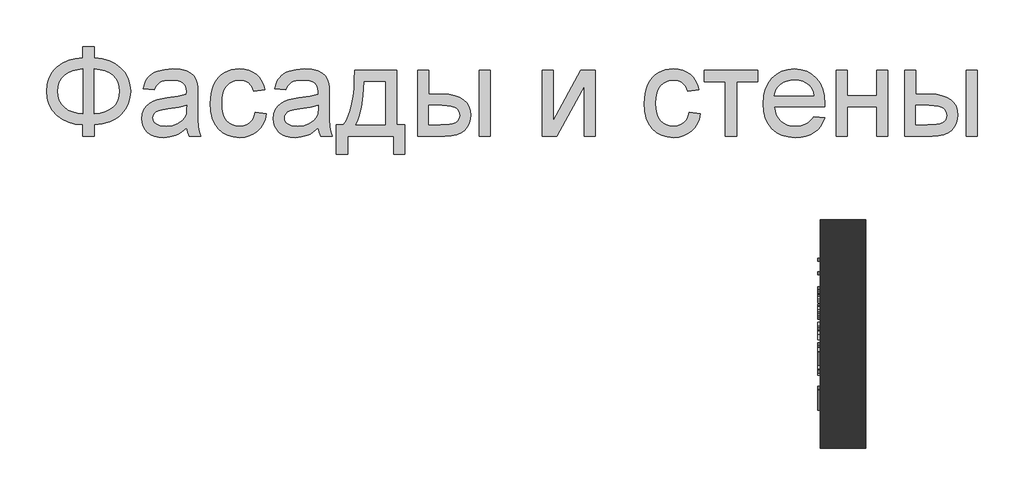
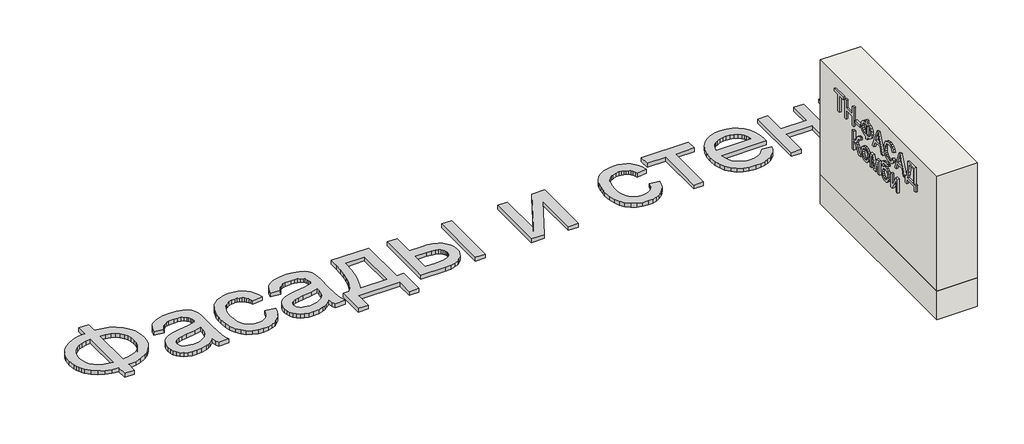
# One storey: 2 proxies, 2 walls.
"""IFC4 building model written with IfcOpenShell, lengths in millimetres."""

import ifcopenshell
import ifcopenshell.guid

model = None  # the IFC model being written
_history = None  # IfcOwnerHistory: only IFC2X3 demands one
_inside = {}  # id of a spatial element -> (the spatial element, [elements in it])
_under = {}  # id of a project, library or spatial element -> (it, [spatial elements below it])
_declared = {}  # id of a project -> (the project, [libraries it declares])
_typed = {}  # id of a type object -> (the type object, [elements of that type])
_made_of = {}  # id of a material, layer set ... -> (it, [elements and type objects made of it])


def new_model(schema):
    """Start an empty IFC model of exactly this schema.

    Asked for "IFC4X3", IfcOpenShell would pick the latest addendum, in which some entities
    have other attributes; the version numbers below select the first issue.
    IFC2X3 requires an IfcOwnerHistory on every rooted entity: one is made here for all.
    """
    global model, _history
    if schema == "IFC4X3":
        model = ifcopenshell.file(schema_version=(4, 3, 0, 0))
    else:
        model = ifcopenshell.file(schema=schema)
    _inside.clear()
    _under.clear()
    _declared.clear()
    _typed.clear()
    _made_of.clear()
    _history = None
    if model.schema == "IFC2X3":
        org = make("IfcOrganization", Name="unknown")
        user = make(
            "IfcPersonAndOrganization",
            ThePerson=make("IfcPerson", FamilyName="unknown"),
            TheOrganization=org,
        )
        app = make(
            "IfcApplication",
            ApplicationDeveloper=org,
            Version="unknown",
            ApplicationFullName="unknown",
            ApplicationIdentifier="unknown",
        )
        _history = make(
            "IfcOwnerHistory",
            OwningUser=user,
            OwningApplication=app,
            ChangeAction="ADDED",
            CreationDate=0,
        )
    return model


def make(cls, **values):
    """One entity of the class cls with the attributes given. An attribute that is None is left unset."""
    return model.create_entity(
        cls, **{name: value for name, value in values.items() if value is not None}
    )


def rooted(cls, **values):
    """An entity with a GlobalId (a new one), such as an element, a storey or a relation."""
    return make(cls, GlobalId=ifcopenshell.guid.new(), OwnerHistory=_history, **values)


def si_unit(unit_type, name, prefix=None):
    """IfcSIUnit, for example si_unit("LENGTHUNIT", "METRE", prefix="MILLI")."""
    return make("IfcSIUnit", UnitType=unit_type, Prefix=prefix, Name=name)


def assignment(units):
    """IfcUnitAssignment: the units of a project."""
    return None if units is None else make("IfcUnitAssignment", Units=units)


def point(xyz):
    """IfcCartesianPoint."""
    return None if xyz is None else make("IfcCartesianPoint", Coordinates=xyz)


def direction(xyz):
    """IfcDirection."""
    return None if xyz is None else make("IfcDirection", DirectionRatios=xyz)


def frame(location, z_axis=None, x_axis=None):
    """IfcAxis2Placement3D, a coordinate frame: its origin and axes. An axis left out is left unset."""
    return make(
        "IfcAxis2Placement3D",
        Location=point(location),
        Axis=direction(z_axis),
        RefDirection=direction(x_axis),
    )


def origin():
    """The frame at (0, 0, 0) with its axes left unset."""
    return frame((0.0, 0.0, 0.0))


def origin_with_axes():
    """The frame at (0, 0, 0) with the z axis (0, 0, 1) and the x axis (1, 0, 0) written out."""
    return frame((0.0, 0.0, 0.0), z_axis=(0.0, 0.0, 1.0), x_axis=(1.0, 0.0, 0.0))


def place(relative_to, where):
    """IfcLocalPlacement: puts the frame where relative to a parent placement (None: the world)."""
    return make(
        "IfcLocalPlacement", PlacementRelTo=relative_to, RelativePlacement=where
    )


def context(
    kind, dimensions, precision=None, world=None, true_north=None, identifier=None
):
    """IfcGeometricRepresentationContext, for example the 3D "Model" context."""
    return make(
        "IfcGeometricRepresentationContext",
        ContextIdentifier=identifier,
        ContextType=kind,
        CoordinateSpaceDimension=dimensions,
        Precision=precision,
        WorldCoordinateSystem=world,
        TrueNorth=true_north,
    )


def project(units=None, contexts=None):
    """IfcProject with its units and contexts."""
    return rooted(
        "IfcProject",
        Name="project",
        RepresentationContexts=contexts,
        UnitsInContext=assignment(units),
    )


def spatial(cls, under=None, at=None, **own):
    """A site, building, storey or space (cls), placed at a placement, below another one or the project."""
    s = rooted(cls, ObjectPlacement=at, **own)
    if under is not None:
        _under.setdefault(under.id(), (under, []))[1].append(s)
    return s


def polyline(points):
    """IfcPolyline through the points."""
    return make("IfcPolyline", Points=[point(p) for p in points])


def outline(outer, holes=None, kind="AREA"):
    """IfcArbitraryClosedProfileDef: a profile drawn as a closed curve; with holes, ...WithVoids."""
    if holes is None:
        return make("IfcArbitraryClosedProfileDef", ProfileType=kind, OuterCurve=outer)
    return make(
        "IfcArbitraryProfileDefWithVoids",
        ProfileType=kind,
        OuterCurve=outer,
        InnerCurves=holes,
    )


def extrude(swept, where, along, depth):
    """IfcExtrudedAreaSolid: the profile swept, set in the frame where, extruded along a direction by depth."""
    return make(
        "IfcExtrudedAreaSolid",
        SweptArea=swept,
        Position=where,
        ExtrudedDirection=direction(along),
        Depth=depth,
    )


def shape(context_of_items, identifier, shape_type, items):
    """IfcShapeRepresentation: the items that make up one representation, for example the "Body"."""
    return make(
        "IfcShapeRepresentation",
        ContextOfItems=context_of_items,
        RepresentationIdentifier=identifier,
        RepresentationType=shape_type,
        Items=items,
    )


def made_of(thing, what):
    """Note that an element or type object is made of a material, layer set ...; save() writes the relation."""
    if what is not None:
        _made_of.setdefault(what.id(), (what, []))[1].append(thing)
    return thing


def element(
    cls,
    number,
    at=None,
    inside=None,
    cuts=None,
    type_object=None,
    material=None,
    context=None,
    identifier="Body",
    shape_type=None,
    held_by="IfcProductDefinitionShape",
    body=None,
    shapes=None,
    **own,
):
    """One element of the class cls, such as IfcWall. Its Tag is "e" and its number.

    at: its placement. inside: the storey or other place that contains it. cuts: it is an
    opening in that element (IfcRelVoidsElement). A single representation is given by context,
    identifier, shape_type and body (its items); several are given by shapes. held_by: the class
    of the entity that holds the representations. save() writes the other relations.
    """
    e = rooted(cls, Tag="e%d" % number, ObjectPlacement=at, **own)
    if body is not None:
        shapes = [shape(context, identifier, shape_type, body)]
    if shapes is not None:
        e.Representation = make(held_by, Representations=shapes)
    if inside is not None:
        _inside.setdefault(inside.id(), (inside, []))[1].append(e)
    if cuts is not None:
        rooted(
            "IfcRelVoidsElement", RelatingBuildingElement=cuts, RelatedOpeningElement=e
        )
    if type_object is not None:
        _typed.setdefault(type_object.id(), (type_object, []))[1].append(e)
    return made_of(e, material)


def aggregate(whole, parts):
    """IfcRelAggregates: a whole, such as a stair, and the parts it consists of."""
    return rooted("IfcRelAggregates", RelatingObject=whole, RelatedObjects=parts)


def save(model, path):
    """Write the relations noted so far, then the file.

    IfcRelAggregates (storeys below a building ...), IfcRelContainedInSpatialStructure (elements
    in a storey), IfcRelDefinesByType, IfcRelAssociatesMaterial and IfcRelDeclares: one each for
    every whole, place, type object, material and project.
    """
    for whole, parts in _under.values():
        aggregate(whole, parts)
    for where, things in _inside.values():
        rooted(
            "IfcRelContainedInSpatialStructure",
            RelatedElements=things,
            RelatingStructure=where,
        )
    for kind, things in _typed.values():
        rooted("IfcRelDefinesByType", RelatedObjects=things, RelatingType=kind)
    for what, things in _made_of.values():
        rooted("IfcRelAssociatesMaterial", RelatedObjects=things, RelatingMaterial=what)
    for by, libraries in _declared.values():
        rooted("IfcRelDeclares", RelatingContext=by, RelatedDefinitions=libraries)
    model.write(path)


model = new_model("IFC4")

# Units and contexts
model_context = context("Model", 3, world=origin())
ifc_project = project(units=[si_unit("LENGTHUNIT", "METRE", prefix="MILLI")], contexts=[model_context])

# Site, building, storey
site = spatial("IfcSite", under=ifc_project)
building = spatial("IfcBuilding", under=site)
storey = spatial("IfcBuildingStorey", under=building, Elevation=0.0)

# Proxies
placement = place(None, origin())
element("IfcBuildingElementProxy", 1, Name="Generic Models", at=placement, inside=storey, context=model_context, shape_type="SweptSolid", body=[
    extrude(outline(polyline([(-1939.8736325, -20885.7211043), (-1939.8736325, -20787.7817103), (-1841.9342386, -20787.7817103), (-1841.9342386, -20885.7211043), (-1772.0723186, -20894.3529698), (-1709.9695132, -20912.2144755), (-1655.6258224, -20939.3056213), (-1609.0412461, -20975.6264073), (-1571.6743546, -21019.0607113), (-1544.9837177, -21067.4924111), (-1528.9693356, -21120.9215067), (-1523.6312083, -21179.3479982), (-1528.8019587, -21236.6028514), (-1544.3142102, -21289.3863505), (-1570.1679625, -21337.6984954), (-1606.3632158, -21381.5392861), (-1628.1416397, -21401.1761824), (-1652.1109076, -21418.4817577), (-1706.6219753, -21446.0989452), (-1769.896419, -21464.3908486), (-1841.9342386, -21473.3574679), (-1841.9342386, -21571.2968619), (-1939.8736325, -21571.2968619), (-1939.8736325, -21473.3574679), (-2005.3060425, -21466.0586398), (-2065.0237272, -21449.518216), (-2119.0266865, -21423.7361966), (-2167.3149204, -21388.7125816), (-2207.0669327, -21345.8939854), (-2222.6837947, -21322.10405), (-2235.4612272, -21296.7270228), (-2245.3992303, -21269.7629041), (-2252.4978039, -21241.2116938), (-2258.1766628, -21179.3479982), (-2252.5157371, -21117.2033486), (-2245.4395801, -21088.5878775), (-2235.5329602, -21061.6103088), (-2222.7958774, -21036.2706426), (-2207.2283318, -21012.5688789), (-2188.8303234, -20990.5050176), (-2167.6018522, -20970.0790588), (-2119.4032845, -20935.3961753), (-2065.382392, -20909.775555), (-2005.5391746, -20893.217198), (-1939.8736325, -20885.7211043)]), holes=[polyline([(-1841.9342386, -20983.6604982), (-1841.9342386, -21375.418074), (-1793.3949393, -21370.2234125), (-1750.3073446, -21359.2303372), (-1712.6714545, -21342.4388481), (-1680.4872689, -21319.8489452), (-1654.7112272, -21291.9627591), (-1636.2997689, -21259.2824206), (-1625.2528939, -21221.8079296), (-1621.5706022, -21179.5392861), (-1625.1871387, -21137.922217), (-1636.036748, -21100.872146), (-1654.1194303, -21068.389073), (-1679.4351855, -21040.4729982), (-1711.2905951, -21017.6977852), (-1748.9922405, -21000.6372975), (-1792.5401216, -20989.2915352), (-1841.9342386, -20983.6604982)]), polyline([(-1939.8736325, -20983.6604982), (-1986.781007, -20988.5861611), (-2028.989873, -20999.3461043), (-2066.5002305, -21015.9403278), (-2099.3120795, -21038.3688316), (-2125.9668498, -21066.2012179), (-2145.0059715, -21099.0070891), (-2156.4294445, -21136.7864452), (-2160.2372689, -21179.5392861), (-2156.4772665, -21221.9035735), (-2145.1972594, -21259.4737085), (-2126.3972476, -21292.2496909), (-2100.077231, -21320.231521), (-2067.5044919, -21342.8692459), (-2029.9463124, -21359.612913), (-1987.4026926, -21370.4625224), (-1939.8736325, -21375.418074), (-1939.8736325, -20983.6604982)])]), origin_with_axes(), (0.0, 0.0, 1.0), 40.0),
    extrude(outline(polyline([(-1033.9342386, -21497.8423164), (-1080.7280359, -21537.964949), (-1104.6449985, -21552.8256261), (-1128.9086704, -21564.2192103), (-1179.5760473, -21578.7092672), (-1233.8300719, -21583.5392861), (-1277.4377305, -21580.6341014), (-1315.677373, -21571.9185475), (-1348.5489995, -21557.3926242), (-1376.0526098, -21537.0563316), (-1397.7697618, -21512.2008628), (-1413.2820132, -21484.1174111), (-1422.589364, -21452.8059764), (-1425.6918143, -21418.2665588), (-1421.0052613, -21377.6657066), (-1406.9456022, -21340.7949679), (-1385.2583389, -21309.2324679), (-1357.6889734, -21284.5563316), (-1325.2895889, -21265.9057634), (-1289.1122689, -21252.4199679), (-1204.3717386, -21237.6908013), (-1104.232534, -21222.1964831), (-1034.5081022, -21204.0241346), (-1033.9342386, -21182.2173164), (-1035.619963, -21158.4737085), (-1040.6771363, -21138.5080361), (-1049.1057585, -21122.3202994), (-1060.9058295, -21109.9104982), (-1081.3018996, -21097.5246081), (-1106.1454128, -21088.6775437), (-1135.4363693, -21083.369305), (-1169.1747689, -21081.5998922), (-1227.5175719, -21086.3103562), (-1250.0895416, -21092.1984362), (-1268.2618901, -21100.4417482), (-1283.1943001, -21111.6858888), (-1296.0464545, -21126.5764547), (-1306.8183532, -21145.1134457), (-1315.5099961, -21167.2968619), (-1413.4493901, -21155.0544376), (-1396.4486799, -21101.4938316), (-1384.810008, -21079.0175058), (-1371.0791249, -21059.4104982), (-1354.6642338, -21042.2782776), (-1334.9735378, -21027.2263126), (-1312.0070369, -21014.2546033), (-1285.764731, -21003.3631497), (-1225.5807821, -20988.5861611), (-1156.5497689, -20983.6604982), (-1090.3402518, -20988.0122975), (-1037.8556401, -21001.0676952), (-998.2829602, -21020.6986138), (-970.8092386, -21044.7769755), (-952.5890681, -21074.5461516), (-940.7770416, -21111.2495134), (-937.1903939, -21145.1074679), (-935.9948446, -21196.9464831), (-935.9948446, -21318.7968619), (-934.7514734, -21424.9377236), (-931.0213598, -21488.94743), (-923.6567764, -21531.0068524), (-911.5099961, -21571.2968619), (-1009.4493901, -21571.2968619), (-1025.1349961, -21537.2476194), (-1033.9342386, -21497.8423164)]), holes=[polyline([(-1033.9342386, -21301.9635285), (-1099.7372689, -21318.2708202), (-1191.9380264, -21331.9957255), (-1242.7488693, -21339.5037747), (-1276.2003371, -21347.8726194), (-1298.1267102, -21358.7282066), (-1314.3622689, -21373.6964831), (-1324.4048825, -21391.6297217), (-1327.7524204, -21411.3801952), (-1325.9292078, -21426.599537), (-1320.45957, -21440.5037747), (-1311.343507, -21453.0929083), (-1298.5810189, -21464.3669376), (-1282.2916604, -21473.6563552), (-1262.5949867, -21480.2916535), (-1212.9796931, -21485.5998922), (-1160.3755264, -21479.7417009), (-1136.3688977, -21472.4189618), (-1113.8925719, -21462.167127), (-1076.2088598, -21436.2715304), (-1050.0024204, -21405.450271), (-1038.3816818, -21373.6964831), (-1034.5081022, -21329.700271), (-1033.9342386, -21301.9635285)])]), origin_with_axes(), (0.0, 0.0, 1.0), 40.0),
    extrude(outline(polyline([(-434.0554507, -21363.1756497), (-336.1160568, -21375.418074), (-346.7684005, -21421.6320299), (-363.4224014, -21462.5257918), (-386.0780596, -21498.0993595), (-414.7353749, -21528.3527331), (-448.1868427, -21552.49685), (-485.2249583, -21569.7426478), (-525.8497215, -21580.0901265), (-570.0611325, -21583.5392861), (-624.9906425, -21578.7272004), (-674.2412935, -21564.2909433), (-717.8130856, -21540.2305148), (-755.7060189, -21506.5459149), (-786.3778347, -21463.8707847), (-808.2862746, -21412.8387653), (-821.4313385, -21353.4498567), (-825.8130264, -21285.7040588), (-823.9419919, -21240.6736966), (-818.3288882, -21198.5485191), (-808.9737154, -21159.3285262), (-795.8764734, -21123.0137179), (-778.9474961, -21090.3333794), (-758.0971174, -21062.0167956), (-733.3253371, -21038.0639665), (-704.6321552, -21018.4748922), (-673.3147428, -21003.2435948), (-640.6702708, -20992.3640967), (-606.698739, -20985.8363978), (-571.4001477, -20983.6604982), (-527.9479104, -20986.6493713), (-488.6442291, -20995.6159906), (-453.4891036, -21010.5603562), (-422.482534, -21031.4824679), (-396.150562, -21057.9041062), (-375.0192291, -21089.3470513), (-359.0885354, -21125.8113031), (-348.358481, -21167.2968619), (-446.2978749, -21179.5392861), (-453.9434123, -21156.6624513), (-464.0637367, -21136.8103562), (-476.6588479, -21119.9830006), (-491.7287461, -21106.1803846), (-508.8908555, -21095.4264192), (-527.7626003, -21087.7450153), (-548.3439805, -21083.1361729), (-570.6349961, -21081.5998922), (-603.9131093, -21084.6246317), (-633.927373, -21093.6988505), (-660.6777873, -21108.8225484), (-684.1643522, -21129.9957255), (-703.2871623, -21157.7085569), (-716.9463124, -21192.4512179), (-725.1418025, -21234.2237085), (-727.8736325, -21283.0260285), (-725.20158, -21332.5636114), (-717.1854223, -21374.8202994), (-703.8251595, -21409.7960924), (-685.1207916, -21437.4909906), (-662.1004909, -21458.5386351), (-635.7924299, -21473.5726668), (-606.1966084, -21482.5930858), (-573.3130264, -21485.5998922), (-546.8136775, -21483.7228799), (-522.5978276, -21478.0918429), (-500.6654767, -21468.7067814), (-481.0166249, -21455.5676952), (-464.2012248, -21438.5311185), (-450.7692291, -21417.4535853), (-440.7206377, -21392.3350958), (-434.0554507, -21363.1756497)])), origin_with_axes(), (0.0, 0.0, 1.0), 40.0),
    extrude(outline(polyline([(116.8536402, -21497.8423164), (70.0598429, -21537.964949), (46.1428803, -21552.8256261), (21.8792084, -21564.2192103), (-28.7881685, -21578.7092672), (-83.0421931, -21583.5392861), (-126.6498517, -21580.6341014), (-164.8894943, -21571.9185475), (-197.7611207, -21557.3926242), (-225.264731, -21537.0563316), (-246.981883, -21512.2008628), (-262.4941344, -21484.1174111), (-271.8014853, -21452.8059764), (-274.9039355, -21418.2665588), (-270.2173825, -21377.6657066), (-256.1577234, -21340.7949679), (-234.4704602, -21309.2324679), (-206.9010946, -21284.5563316), (-174.5017102, -21265.9057634), (-138.3243901, -21252.4199679), (-53.5838598, -21237.6908013), (46.5553448, -21222.1964831), (116.2797766, -21204.0241346), (116.8536402, -21182.2173164), (115.1679158, -21158.4737085), (110.1107425, -21138.5080361), (101.6821203, -21122.3202994), (89.8820493, -21109.9104982), (69.4859792, -21097.5246081), (44.642466, -21088.6775437), (15.3515095, -21083.369305), (-18.3868901, -21081.5998922), (-76.7296931, -21086.3103562), (-99.3016628, -21092.1984362), (-117.4740113, -21100.4417482), (-132.4064213, -21111.6858888), (-145.2585757, -21126.5764547), (-156.0304744, -21145.1134457), (-164.7221174, -21167.2968619), (-262.6615113, -21155.0544376), (-245.6608011, -21101.4938316), (-234.0221292, -21079.0175058), (-220.2912461, -21059.4104982), (-203.876355, -21042.2782776), (-184.185659, -21027.2263126), (-161.2191581, -21014.2546033), (-134.9768522, -21003.3631497), (-74.7929033, -20988.5861611), (-5.7618901, -20983.6604982), (60.447627, -20988.0122975), (112.9322387, -21001.0676952), (152.5049186, -21020.6986138), (179.9786402, -21044.7769755), (198.1988107, -21074.5461516), (210.0108372, -21111.2495134), (213.5974849, -21145.1074679), (214.7930342, -21196.9464831), (214.7930342, -21318.7968619), (216.0364054, -21424.9377236), (219.766519, -21488.94743), (227.1311023, -21531.0068524), (239.2778826, -21571.2968619), (141.3384887, -21571.2968619), (125.6528826, -21537.2476194), (116.8536402, -21497.8423164)]), holes=[polyline([(116.8536402, -21301.9635285), (51.0506099, -21318.2708202), (-41.1501477, -21331.9957255), (-91.9609905, -21339.5037747), (-125.4124583, -21347.8726194), (-147.3388314, -21358.7282066), (-163.5743901, -21373.6964831), (-173.6170037, -21391.6297217), (-176.9645416, -21411.3801952), (-175.141329, -21426.599537), (-169.6716912, -21440.5037747), (-160.5556282, -21453.0929083), (-147.7931401, -21464.3669376), (-131.5037817, -21473.6563552), (-111.8071079, -21480.2916535), (-62.1918143, -21485.5998922), (-9.5876477, -21479.7417009), (14.4189811, -21472.4189618), (36.8953069, -21462.167127), (74.579019, -21436.2715304), (100.7854584, -21405.450271), (112.406197, -21373.6964831), (116.2797766, -21329.700271), (116.8536402, -21301.9635285)])]), origin_with_axes(), (0.0, 0.0, 1.0), 40.0),
    extrude(outline(polyline([(435.1566705, -20995.9029225), (802.4293978, -20995.9029225), (802.4293978, -21473.3574679), (875.8839432, -21473.3574679), (875.8839432, -21730.448377), (777.9445493, -21730.448377), (777.9445493, -21571.2968619), (373.9445493, -21571.2968619), (373.9445493, -21730.448377), (276.0051554, -21730.448377), (276.0051554, -21473.3574679), (337.2172766, -21473.3574679), (361.1342392, -21436.3970631), (381.7156194, -21392.9448259), (398.9614172, -21343.0007563), (412.8716326, -21286.5648543), (423.4462657, -21223.6371199), (430.6853164, -21154.2175531), (434.5887846, -21078.306154), (435.1566705, -20995.9029225)]), holes=[polyline([(520.8536402, -21093.8423164), (512.8195493, -21213.7559054), (497.8990948, -21316.979627), (476.0922766, -21403.5134812), (462.6064811, -21440.521708), (447.3990948, -21473.3574679), (704.4900039, -21473.3574679), (704.4900039, -21093.8423164), (520.8536402, -21093.8423164)])]), origin_with_axes(), (0.0, 0.0, 1.0), 40.0),
    extrude(outline(polyline([(986.0657614, -20995.9029225), (1084.0051554, -20995.9029225), (1084.0051554, -21204.0241346), (1205.0903826, -21204.0241346), (1260.8089551, -21207.0907184), (1309.7487633, -21216.2904698), (1351.9098074, -21231.6233888), (1387.2920872, -21253.0894755), (1415.2858727, -21279.9474892), (1435.2814338, -21311.4561895), (1447.2787704, -21347.6155763), (1451.2778826, -21388.4256497), (1447.924367, -21424.8361019), (1437.8638201, -21458.5087463), (1421.096242, -21489.443583), (1397.6216326, -21517.6406119), (1366.7824399, -21541.1152212), (1327.9211118, -21557.8827994), (1281.0376483, -21567.9433462), (1226.1320493, -21571.2968619), (986.0657614, -21571.2968619), (986.0657614, -20995.9029225)]), holes=[polyline([(1084.0051554, -21473.3574679), (1184.6225796, -21473.3574679), (1262.6202122, -21468.2166062), (1291.8274802, -21461.790529), (1314.5070493, -21452.794021), (1331.495804, -21441.0716606), (1343.6306289, -21426.4680266), (1350.9115237, -21408.983119), (1353.3384887, -21388.6169376), (1351.5391871, -21372.1542245), (1346.1412823, -21356.6240399), (1337.1447742, -21342.0263836), (1324.5496629, -21328.3612558), (1305.8094286, -21316.8122501), (1278.3775512, -21308.5629603), (1242.2540308, -21303.6133865), (1197.4388675, -21301.9635285), (1084.0051554, -21301.9635285), (1084.0051554, -21473.3574679)])]), origin_with_axes(), (0.0, 0.0, 1.0), 40.0),
    extrude(outline(polyline([(1524.7324281, -20995.9029225), (1622.671822, -20995.9029225), (1622.671822, -21571.2968619), (1524.7324281, -21571.2968619), (1524.7324281, -20995.9029225)])), origin_with_axes(), (0.0, 0.0, 1.0), 40.0),
    extrude(outline(polyline([(2075.641519, -20995.9029225), (2173.5809129, -20995.9029225), (2173.5809129, -21434.7173164), (2414.2210645, -20995.9029225), (2540.8536402, -20995.9029225), (2540.8536402, -21571.2968619), (2442.9142463, -21571.2968619), (2442.9142463, -21135.1604982), (2203.8043978, -21571.2968619), (2075.641519, -21571.2968619), (2075.641519, -20995.9029225)])), origin_with_axes(), (0.0, 0.0, 1.0), 40.0),
    extrude(outline(polyline([(3361.0960645, -21363.1756497), (3459.0354584, -21375.418074), (3448.3831147, -21421.6320299), (3431.7291137, -21462.5257918), (3409.0734556, -21498.0993595), (3380.4161402, -21528.3527331), (3346.9646724, -21552.49685), (3309.9265569, -21569.7426478), (3269.3017936, -21580.0901265), (3225.0903826, -21583.5392861), (3170.1608727, -21578.7272004), (3120.9102217, -21564.2909433), (3077.3384295, -21540.2305148), (3039.4454963, -21506.5459149), (3008.7736805, -21463.8707847), (2986.8652406, -21412.8387653), (2973.7201767, -21353.4498567), (2969.3384887, -21285.7040588), (2971.2095233, -21240.6736966), (2976.822627, -21198.5485191), (2986.1777998, -21159.3285262), (2999.2750417, -21123.0137179), (3016.204019, -21090.3333794), (3037.0543978, -21062.0167956), (3061.8261781, -21038.0639665), (3090.5193599, -21018.4748922), (3121.8367723, -21003.2435948), (3154.4812444, -20992.3640967), (3188.4527761, -20985.8363978), (3223.7513675, -20983.6604982), (3267.2036047, -20986.6493713), (3306.5072861, -20995.6159906), (3341.6624115, -21010.5603562), (3372.6689811, -21031.4824679), (3399.0009532, -21057.9041062), (3420.1322861, -21089.3470513), (3436.0629797, -21125.8113031), (3446.7930342, -21167.2968619), (3348.8536402, -21179.5392861), (3341.2081028, -21156.6624513), (3331.0877785, -21136.8103562), (3318.4926672, -21119.9830006), (3303.422769, -21106.1803846), (3286.2606596, -21095.4264192), (3267.3889148, -21087.7450153), (3246.8075346, -21083.1361729), (3224.516519, -21081.5998922), (3191.2384058, -21084.6246317), (3161.2241421, -21093.6988505), (3134.4737278, -21108.8225484), (3110.9871629, -21129.9957255), (3091.8643528, -21157.7085569), (3078.2052027, -21192.4512179), (3070.0097127, -21234.2237085), (3067.2778826, -21283.0260285), (3069.9499352, -21332.5636114), (3077.9660929, -21374.8202994), (3091.3263557, -21409.7960924), (3110.0307236, -21437.4909906), (3133.0510242, -21458.5386351), (3159.3590853, -21473.5726668), (3188.9549068, -21482.5930858), (3221.8384887, -21485.5998922), (3248.3378377, -21483.7228799), (3272.5536876, -21478.0918429), (3294.4860384, -21468.7067814), (3314.1348902, -21455.5676952), (3330.9502903, -21438.5311185), (3344.3822861, -21417.4535853), (3354.4308774, -21392.3350958), (3361.0960645, -21363.1756497)])), origin_with_axes(), (0.0, 0.0, 1.0), 40.0),
    extrude(outline(polyline([(3495.7627311, -20995.9029225), (3960.9748523, -20995.9029225), (3960.9748523, -21093.8423164), (3777.3384887, -21093.8423164), (3777.3384887, -21571.2968619), (3679.3990948, -21571.2968619), (3679.3990948, -21093.8423164), (3495.7627311, -21093.8423164), (3495.7627311, -20995.9029225)])), origin_with_axes(), (0.0, 0.0, 1.0), 40.0),
    extrude(outline(polyline([(4449.5240948, -21399.9029225), (4545.5506099, -21412.1453467), (4530.827421, -21450.6061658), (4510.9514148, -21484.4999869), (4485.9225914, -21513.8268098), (4455.7409508, -21538.5866346), (4420.7173358, -21558.2534196), (4381.1625891, -21572.3011232), (4337.0767108, -21580.7297454), (4288.4597008, -21583.5392861), (4227.6899328, -21578.6913339), (4173.5435076, -21564.1474774), (4126.0204253, -21539.9077165), (4085.1206857, -21505.9720513), (4052.231126, -21463.2849656), (4028.7385834, -21412.7909433), (4014.6430578, -21354.4899845), (4009.9445493, -21288.3820891), (4014.6908798, -21220.0325389), (4028.9298713, -21159.7888126), (4052.6615237, -21107.6509102), (4085.8858372, -21063.6188316), (4126.6779773, -21028.6370607), (4173.1131099, -21003.6500816), (4225.1912349, -20988.6578941), (4282.9123523, -20983.6604982), (4338.7743907, -20988.6459386), (4389.2923239, -21003.6022596), (4434.4661521, -21028.5294613), (4474.2958751, -21063.4275437), (4506.8088367, -21107.3639783), (4530.0323807, -21159.4062369), (4543.9665072, -21219.5543192), (4548.611216, -21287.8082255), (4548.0373523, -21314.2059528), (4107.8839432, -21314.2059528), (4113.5568244, -21353.2884575), (4124.8368315, -21387.5170323), (4141.7239646, -21416.8916772), (4164.2182236, -21441.4123922), (4191.0762373, -21460.7444234), (4221.0546345, -21474.5530172), (4254.1534153, -21482.8381734), (4290.3725796, -21485.5998922), (4342.4985266, -21480.4829414), (4386.3990948, -21465.1320891), (4405.2648618, -21453.3798401), (4422.0742842, -21438.590896), (4436.8273618, -21420.7652567), (4449.5240948, -21399.9029225)]), holes=[polyline([(4107.8839432, -21216.2665588), (4450.671822, -21216.2665588), (4445.6385597, -21188.5537274), (4437.4251364, -21164.5231876), (4426.0315522, -21144.1749395), (4411.4578069, -21127.5089831), (4384.7492368, -21107.4237558), (4354.3583751, -21093.0771649), (4320.2852217, -21084.4692103), (4282.5297766, -21081.5998922), (4248.0919807, -21083.889369), (4216.5115474, -21090.7577994), (4187.7884769, -21102.2051834), (4161.922769, -21118.231521), (4140.2175725, -21138.0955716), (4123.9760361, -21161.0560948), (4113.1981596, -21187.1130906), (4107.8839432, -21216.2665588)])]), origin_with_axes(), (0.0, 0.0, 1.0), 40.0),
    extrude(outline(polyline([(4646.5506099, -20995.9029225), (4744.4900039, -20995.9029225), (4744.4900039, -21216.2665588), (5001.5809129, -21216.2665588), (5001.5809129, -20995.9029225), (5099.5203069, -20995.9029225), (5099.5203069, -21571.2968619), (5001.5809129, -21571.2968619), (5001.5809129, -21314.2059528), (4744.4900039, -21314.2059528), (4744.4900039, -21571.2968619), (4646.5506099, -21571.2968619), (4646.5506099, -20995.9029225)])), origin_with_axes(), (0.0, 0.0, 1.0), 40.0),
    extrude(outline(polyline([(5246.4293978, -20995.9029225), (5344.3687917, -20995.9029225), (5344.3687917, -21204.0241346), (5465.454019, -21204.0241346), (5521.1725914, -21207.0907184), (5570.1123997, -21216.2904698), (5612.2734437, -21231.6233888), (5647.6557236, -21253.0894755), (5675.6495091, -21279.9474892), (5695.6450701, -21311.4561895), (5707.6424068, -21347.6155763), (5711.641519, -21388.4256497), (5708.2880034, -21424.8361019), (5698.2274565, -21458.5087463), (5681.4598784, -21489.443583), (5657.985269, -21517.6406119), (5627.1460763, -21541.1152212), (5588.2847482, -21557.8827994), (5541.4012846, -21567.9433462), (5486.4956857, -21571.2968619), (5246.4293978, -21571.2968619), (5246.4293978, -20995.9029225)]), holes=[polyline([(5344.3687917, -21473.3574679), (5444.986216, -21473.3574679), (5522.9838486, -21468.2166062), (5552.1911165, -21461.790529), (5574.8706857, -21452.794021), (5591.8594404, -21441.0716606), (5603.9942652, -21426.4680266), (5611.2751601, -21408.983119), (5613.7021251, -21388.6169376), (5611.9028235, -21372.1542245), (5606.5049186, -21356.6240399), (5597.5084106, -21342.0263836), (5584.9132993, -21328.3612558), (5566.1730649, -21316.8122501), (5538.7411876, -21308.5629603), (5502.6176672, -21303.6133865), (5457.8025039, -21301.9635285), (5344.3687917, -21301.9635285), (5344.3687917, -21473.3574679)])]), origin_with_axes(), (0.0, 0.0, 1.0), 40.0),
    extrude(outline(polyline([(5785.0960645, -20995.9029225), (5883.0354584, -20995.9029225), (5883.0354584, -21571.2968619), (5785.0960645, -21571.2968619), (5785.0960645, -20995.9029225)])), origin_with_axes(), (0.0, 0.0, 1.0), 40.0),
])
element("IfcBuildingElementProxy", 2, Name="Generic Models", at=placement, inside=storey, context=model_context, shape_type="SweptSolid", body=[
    extrude(outline(polyline([(-22641.3968391, 1181.1112414), (-22666.0122237, 1181.1112414), (-22666.0122237, 1353.4189337), (-22730.6276083, 1353.4189337), (-22730.6276083, 1378.0343184), (-22576.7814545, 1378.0343184), (-22576.7814545, 1353.4189337), (-22641.3968391, 1353.4189337), (-22641.3968391, 1181.1112414)])), frame((4486.3955952, 0.0, 0.0), z_axis=(1.0, 0.0, 0.0), x_axis=(0.0, 1.0, 0.0)), (0.0, 0.0, 1.0), 20.0),
    extrude(outline(polyline([(-22758.319916, 1181.1112414), (-22782.9353006, 1181.1112414), (-22782.9353006, 1273.4189337), (-22887.5506853, 1273.4189337), (-22887.5506853, 1181.1112414), (-22912.1660699, 1181.1112414), (-22912.1660699, 1378.0343184), (-22887.5506853, 1378.0343184), (-22887.5506853, 1298.0343184), (-22782.9353006, 1298.0343184), (-22782.9353006, 1378.0343184), (-22758.319916, 1378.0343184), (-22758.319916, 1181.1112414)])), frame((4486.3955952, 0.0, 0.0), z_axis=(1.0, 0.0, 0.0), x_axis=(0.0, 1.0, 0.0)), (0.0, 0.0, 1.0), 20.0),
    extrude(outline(polyline([(4486.3955952, -23016.7814545), (4486.3955952, -22939.8583776), (4506.3955952, -22939.8583776), (4506.3955952, -23016.7814545), (4486.3955952, -23016.7814545)])), frame((0.0, 0.0, 1239.5727799), z_axis=(0.0, 0.0, 1.0), x_axis=(1.0, 0.0, 0.0)), (0.0, 0.0, 1.0), 24.6153846),
    extrude(outline(polyline([(-23118.319916, 1353.4189337), (-23086.7754449, 1347.3732607), (-23061.0843391, 1332.2170107), (-23051.124904, 1321.5379241), (-23044.0110218, 1309.212203), (-23038.319916, 1279.6208568), (-23044.0290506, 1250.1196549), (-23051.1654689, 1237.7623833), (-23061.1564545, 1227.0006645), (-23086.8655891, 1211.7182126), (-23118.319916, 1205.726626), (-23118.319916, 1181.1112414), (-23142.9353006, 1181.1112414), (-23142.9353006, 1205.726626), (-23176.9437141, 1212.5775876), (-23202.1420314, 1228.8035491), (-23217.7369833, 1251.9646068), (-23222.9353006, 1279.6208568), (-23217.5687141, 1307.7338376), (-23201.4689545, 1330.8227799), (-23176.102368, 1346.7602799), (-23142.9353006, 1353.4189337), (-23142.9353006, 1378.0343184), (-23118.319916, 1378.0343184), (-23118.319916, 1353.4189337)]), holes=[polyline([(-23118.319916, 1328.8035491), (-23118.319916, 1230.3420107), (-23095.6816949, 1234.3143664), (-23078.055493, 1244.212203), (-23066.7153487, 1259.4826357), (-23062.9353006, 1279.5727799), (-23066.7634256, 1299.8131645), (-23078.2478006, 1315.0535491), (-23095.9220795, 1324.8612414), (-23118.319916, 1328.8035491)]), polyline([(-23142.9353006, 1328.8035491), (-23166.2946756, 1324.5367222), (-23183.7766468, 1314.524703), (-23194.6840987, 1299.3444145), (-23198.319916, 1279.5727799), (-23194.617993, 1259.5307126), (-23183.5122237, 1244.3083568), (-23165.9641468, 1234.4105203), (-23142.9353006, 1230.3420107), (-23142.9353006, 1328.8035491)])]), frame((4486.3955952, 0.0, 0.0), z_axis=(1.0, 0.0, 0.0), x_axis=(0.0, 1.0, 0.0)), (0.0, 0.0, 1.0), 20.0),
    extrude(outline(polyline([(-23233.8487622, 1181.1112414), (-23259.8583776, 1181.1112414), (-23282.3583776, 1242.649703), (-23363.4641468, 1242.649703), (-23386.0122237, 1181.1112414), (-23412.0218391, 1181.1112414), (-23333.4160699, 1378.0343184), (-23312.4545314, 1378.0343184), (-23233.8487622, 1181.1112414)]), holes=[polyline([(-23291.3968391, 1267.2650876), (-23310.6756853, 1319.9093184), (-23322.9353006, 1353.4189337), (-23336.7333776, 1315.6785491), (-23354.4737622, 1267.2650876), (-23291.3968391, 1267.2650876)])]), frame((4486.3955952, 0.0, 0.0), z_axis=(1.0, 0.0, 0.0), x_axis=(0.0, 1.0, 0.0)), (0.0, 0.0, 1.0), 20.0),
    extrude(outline(polyline([(-23576.7814545, 1251.1112414), (-23568.8187141, 1230.0295107), (-23555.8920314, 1214.8612414), (-23538.7706372, 1205.7025876), (-23518.2237622, 1202.649703), (-23500.5975603, 1204.8912895), (-23484.257416, 1211.6160491), (-23470.6276083, 1222.8720587), (-23461.132416, 1238.7073953), (-23455.5615026, 1258.3708568), (-23453.7045314, 1281.1112414), (-23455.273041, 1299.680953), (-23459.9785699, 1317.6977799), (-23468.554291, 1333.6352799), (-23481.7333776, 1345.9670107), (-23499.101166, 1353.8636453), (-23520.242993, 1356.4958568), (-23538.5843391, 1354.1220587), (-23553.5122237, 1347.0006645), (-23565.1708776, 1334.6869626), (-23573.7045314, 1316.7362414), (-23598.319916, 1322.601626), (-23587.4485218, 1347.3131645), (-23570.507416, 1365.774703), (-23548.1937141, 1377.2771068), (-23521.2045314, 1381.1112414), (-23496.4689545, 1378.148501), (-23473.8968391, 1369.2602799), (-23454.8643872, 1354.6629241), (-23440.7478006, 1334.5727799), (-23432.0038103, 1309.7771068), (-23429.0891468, 1281.0631645), (-23431.6672718, 1253.8396068), (-23439.4016468, 1228.4189337), (-23452.069916, 1206.7963376), (-23469.4497237, 1190.9670107), (-23492.1240026, 1181.2674914), (-23520.6756853, 1178.0343184), (-23548.8006853, 1182.3071549), (-23572.2141468, 1195.1256645), (-23590.038666, 1216.0811934), (-23601.3968391, 1244.7650876), (-23576.7814545, 1251.1112414)])), frame((4486.3955952, 0.0, 0.0), z_axis=(1.0, 0.0, 0.0), x_axis=(0.0, 1.0, 0.0)), (0.0, 0.0, 1.0), 20.0),
    extrude(outline(polyline([(-23612.3103006, 1181.1112414), (-23638.319916, 1181.1112414), (-23660.819916, 1242.649703), (-23741.9256853, 1242.649703), (-23764.4737622, 1181.1112414), (-23790.4833776, 1181.1112414), (-23711.8776083, 1378.0343184), (-23690.9160699, 1378.0343184), (-23612.3103006, 1181.1112414)]), holes=[polyline([(-23669.8583776, 1267.2650876), (-23689.1372237, 1319.9093184), (-23701.3968391, 1353.4189337), (-23715.194916, 1315.6785491), (-23732.9353006, 1267.2650876), (-23669.8583776, 1267.2650876)])]), frame((4486.3955952, 0.0, 0.0), z_axis=(1.0, 0.0, 0.0), x_axis=(0.0, 1.0, 0.0)), (0.0, 0.0, 1.0), 20.0),
    extrude(outline(polyline([(-23835.242993, 1378.0343184), (-23835.242993, 1349.524703), (-23833.7045314, 1299.9543905), (-23829.0891468, 1259.4646068), (-23821.3968391, 1228.055352), (-23810.6276083, 1205.726626), (-23795.242993, 1205.726626), (-23795.242993, 1134.9573953), (-23819.8583776, 1134.9573953), (-23819.8583776, 1181.1112414), (-23946.0122237, 1181.1112414), (-23946.0122237, 1134.9573953), (-23970.6276083, 1134.9573953), (-23970.6276083, 1205.726626), (-23952.1660699, 1205.726626), (-23952.1660699, 1378.0343184), (-23835.242993, 1378.0343184)]), holes=[polyline([(-23927.5506853, 1353.4189337), (-23927.5506853, 1205.726626), (-23835.242993, 1205.726626), (-23847.4545314, 1237.0847991), (-23854.8583776, 1276.0631645), (-23859.8583776, 1343.5150876), (-23859.8583776, 1353.4189337), (-23927.5506853, 1353.4189337)])]), frame((4486.3955952, 0.0, 0.0), z_axis=(1.0, 0.0, 0.0), x_axis=(0.0, 1.0, 0.0)), (0.0, 0.0, 1.0), 20.0),
    extrude(outline(polyline([(-22892.1660699, 1134.9573953), (-22892.1660699, 938.0343184), (-22916.7814545, 938.0343184), (-22916.7814545, 1030.3420107), (-22931.054291, 1028.3768664), (-22942.430493, 1022.4814337), (-22967.069916, 993.5150876), (-23002.069916, 938.0343184), (-23030.6276083, 938.0343184), (-22989.2333776, 1003.7073953), (-22970.4953968, 1026.9045107), (-22951.492993, 1038.0343184), (-22968.4881853, 1048.226626), (-22985.9160699, 1079.0920107), (-23000.5314545, 1104.4285491), (-23008.4881853, 1108.8636453), (-23019.7622237, 1110.3420107), (-23025.194916, 1110.1977799), (-23030.6276083, 1110.0535491), (-23030.6276083, 1134.6689337), (-23014.4737622, 1134.9573953), (-22992.4785699, 1129.4285491), (-22977.0939545, 1115.7987414), (-22963.5122237, 1088.274703), (-22953.085541, 1066.8143664), (-22944.305493, 1055.3179722), (-22933.446118, 1050.4321549), (-22916.7814545, 1048.8035491), (-22916.7814545, 1134.9573953), (-22892.1660699, 1134.9573953)])), frame((4486.3955952, 0.0, 0.0), z_axis=(1.0, 0.0, 0.0), x_axis=(0.0, 1.0, 0.0)), (0.0, 0.0, 1.0), 20.0),
    extrude(outline(polyline([(-23042.9353006, 1010.3420107), (-23047.4004449, 978.0823953), (-23060.7958776, 954.3804722), (-23081.4268872, 939.8131645), (-23107.5987622, 934.9573953), (-23124.9725603, 937.1629241), (-23140.9401083, 943.7795107), (-23154.383618, 954.3864818), (-23164.1853006, 968.5631645), (-23170.1708776, 987.493453), (-23172.1660699, 1012.3612414), (-23167.6528487, 1043.0162895), (-23154.1131853, 1066.2314337), (-23133.4581372, 1080.852828), (-23107.5987622, 1085.726626), (-23083.9689545, 1081.7242222), (-23064.2333776, 1069.7170107), (-23054.9154689, 1058.758477), (-23048.2598199, 1045.2097991), (-23042.9353006, 1010.3420107)]), holes=[polyline([(-23067.5506853, 1010.3900876), (-23070.399243, 1032.6557126), (-23078.944916, 1048.4910491), (-23091.805493, 1057.9561934), (-23107.5987622, 1061.1112414), (-23123.2297718, 1057.9441741), (-23136.0843391, 1048.4429722), (-23144.6840987, 1032.7879241), (-23147.5506853, 1011.1593184), (-23144.7021276, 988.3948953), (-23136.1564545, 972.3131645), (-23123.319916, 962.757876), (-23107.5987622, 959.5727799), (-23091.805493, 962.7398472), (-23078.944916, 972.2410491), (-23070.399243, 988.1124434), (-23067.5506853, 1010.3900876)])]), frame((4486.3955952, 0.0, 0.0), z_axis=(1.0, 0.0, 0.0), x_axis=(0.0, 1.0, 0.0)), (0.0, 0.0, 1.0), 20.0),
    extrude(outline(polyline([(-23199.8583776, 1082.649703), (-23199.8583776, 938.0343184), (-23224.4737622, 938.0343184), (-23224.4737622, 1060.0535491), (-23258.319916, 938.0343184), (-23290.6276083, 938.0343184), (-23326.0122237, 1054.476626), (-23326.0122237, 938.0343184), (-23350.6276083, 938.0343184), (-23350.6276083, 1082.649703), (-23310.0506853, 1082.649703), (-23274.8583776, 966.8804722), (-23242.2141468, 1082.649703), (-23199.8583776, 1082.649703)])), frame((4486.3955952, 0.0, 0.0), z_axis=(1.0, 0.0, 0.0), x_axis=(0.0, 1.0, 0.0)), (0.0, 0.0, 1.0), 20.0),
    extrude(outline(polyline([(-23489.0891468, 1138.0343184), (-23484.9064545, 1135.5102799), (-23457.5026083, 1134.9573953), (-23423.7706372, 1130.0595587), (-23410.6681732, 1123.9372631), (-23400.0747237, 1115.3660491), (-23391.9031492, 1103.267191), (-23386.0663103, 1086.5619626), (-23381.3968391, 1039.3323953), (-23383.2478006, 1001.0932126), (-23388.8006853, 976.2795107), (-23397.821118, 959.8011453), (-23410.0747237, 946.5679722), (-23426.727368, 937.8600395), (-23448.944916, 934.9573953), (-23468.2237622, 937.211001), (-23482.9833776, 943.9718184), (-23494.6360218, 954.867251), (-23504.5939545, 969.524703), (-23511.4268872, 988.382876), (-23513.7045314, 1011.8804722), (-23509.1131853, 1042.3552318), (-23495.3391468, 1065.7987414), (-23474.5578968, 1080.7446549), (-23448.944916, 1085.726626), (-23434.4316949, 1083.7674914), (-23421.4689545, 1077.8900876), (-23410.0446756, 1068.0823953), (-23400.1468391, 1054.3323953), (-23405.4112622, 1086.4958568), (-23411.6732814, 1097.289126), (-23420.9881853, 1104.6689337), (-23436.5590987, 1108.9237414), (-23461.5891468, 1110.3420107), (-23491.7333776, 1111.8804722), (-23504.2814545, 1118.8275876), (-23510.6276083, 1138.0343184), (-23489.0891468, 1138.0343184)]), holes=[polyline([(-23489.0891468, 1012.649703), (-23486.2526083, 991.0210972), (-23477.742993, 974.1160491), (-23464.6780891, 963.2085972), (-23448.1756853, 959.5727799), (-23431.757416, 962.7158087), (-23418.1756853, 972.1448953), (-23409.0530891, 987.4994626), (-23406.0122237, 1008.4189337), (-23408.7646276, 1029.9994626), (-23417.0218391, 1046.7602799), (-23430.351166, 1057.523501), (-23448.319916, 1061.1112414), (-23465.555493, 1057.7158087), (-23478.4160699, 1047.5295107), (-23486.4208776, 1032.0186934), (-23489.0891468, 1012.649703)])]), frame((4486.3955952, 0.0, 0.0), z_axis=(1.0, 0.0, 0.0), x_axis=(0.0, 1.0, 0.0)), (0.0, 0.0, 1.0), 20.0),
    extrude(outline(polyline([(-23544.4737622, 1082.649703), (-23544.4737622, 938.0343184), (-23576.6853006, 938.0343184), (-23636.7814545, 1047.649703), (-23636.7814545, 938.0343184), (-23661.3968391, 938.0343184), (-23661.3968391, 1082.649703), (-23629.569916, 1082.649703), (-23569.0891468, 972.3612414), (-23569.0891468, 1082.649703), (-23544.4737622, 1082.649703)])), frame((4486.3955952, 0.0, 0.0), z_axis=(1.0, 0.0, 0.0), x_axis=(0.0, 1.0, 0.0)), (0.0, 0.0, 1.0), 20.0),
])

# Walls
element("IfcWall", 3, at=placement, inside=storey, context=model_context, shape_type="SweptSolid", body=[
    extrude(outline(polyline([(4906.3955952, -22302.6148653), (4906.3955952, -24302.6148653), (4506.3955952, -24302.6148653), (4506.3955952, -22302.6148653), (4906.3955952, -22302.6148653)])), origin_with_axes(), (0.0, 0.0, 1.0), 300.0),
])
element("IfcWall", 4, at=placement, inside=storey, context=model_context, shape_type="SweptSolid", body=[
    extrude(outline(polyline([(4906.3955952, -22302.6148653), (4906.3955952, -24302.6148653), (4506.3955952, -24302.6148653), (4506.3955952, -22302.6148653), (4906.3955952, -22302.6148653)])), frame((0.0, 0.0, 300.0), z_axis=(0.0, 0.0, 1.0), x_axis=(1.0, 0.0, 0.0)), (0.0, 0.0, 1.0), 1200.0),
])

save(model, "model.ifc")
